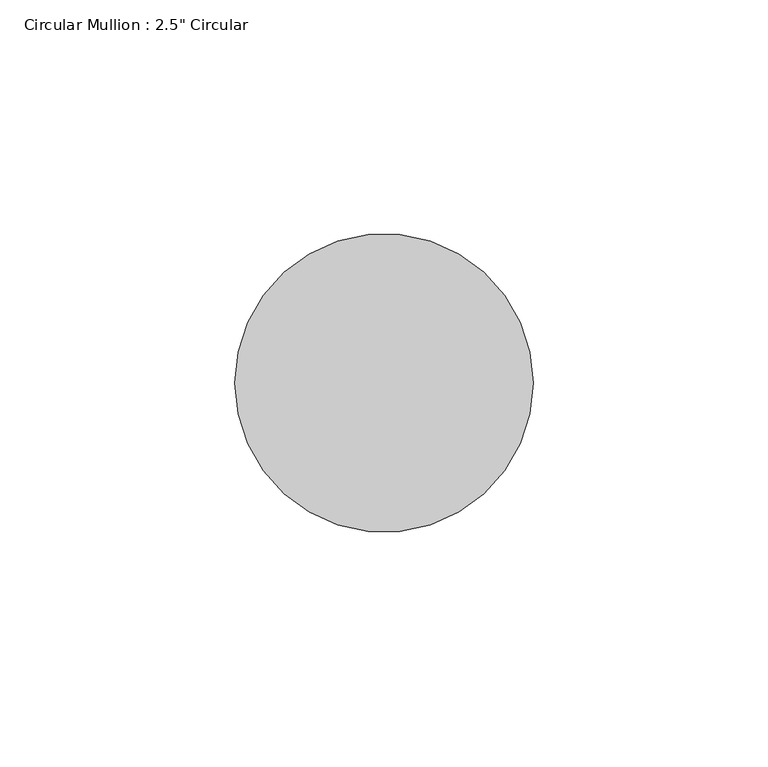
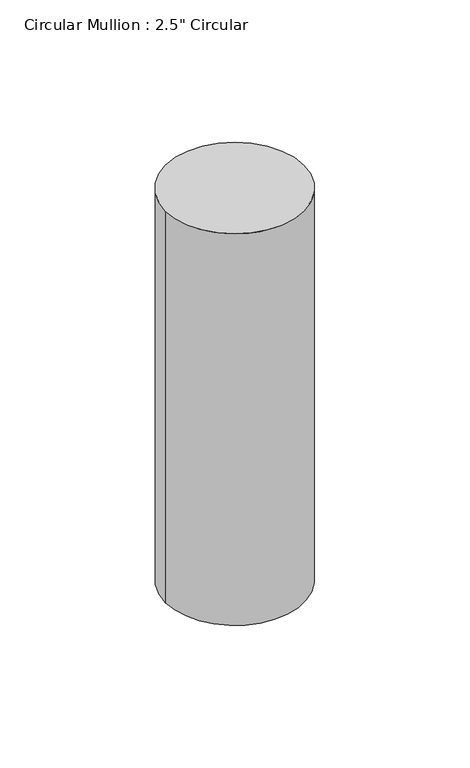
"""IFC4 building model written with IfcOpenShell, lengths in millimetres: member geometry."""

from ifc_helpers import new_model, si_unit, point, frame, origin, origin_2d, place, context, project, spatial, circle_curve, trimmed, segment, composite_curve, outline, extrude, source, transform, mapped, element, save


def member_1cb79529(model_context):
    return source(origin(), model_context, "Body", "SweptSolid", [
        extrude(outline(composite_curve([segment(trimmed(circle_curve(origin_2d(), 31.75), [point((31.75, 0.0))], [point((-31.75, 0.0))], False, "CARTESIAN"), True, "CONTINUOUS"), segment(trimmed(circle_curve(origin_2d(), 31.75), [point((-31.75, 0.0))], [point((31.75, 0.0))], False, "CARTESIAN"), True, "CONTINUOUS")], self_intersect=False)), frame((0.0, 0.0, -190.0), z_axis=(0.0, 0.0, 1.0), x_axis=(1.0, 0.0, 0.0)), (0.0, 0.0, 1.0), 190.0),
    ])


if __name__ == "__main__":
    model = new_model("IFC4")
    model_context = context("Model", 3, world=origin())
    ifc_project = project(units=[si_unit("LENGTHUNIT", "METRE", prefix="MILLI")], contexts=[model_context])
    site = spatial("IfcSite", under=ifc_project)
    building = spatial("IfcBuilding", under=site)
    placement = place(None, origin())
    member_shape = member_1cb79529(model_context)
    element("IfcMember", 1, ObjectType="Circular Mullion : 2.5\" Circular", at=placement, inside=building, context=model_context, shape_type="MappedRepresentation", body=[
        mapped(member_shape, transform((0.0, 0.0, 0.0), x_axis=(1.0, 0.0, 0.0), y_axis=(0.0, 1.0, 0.0), z_axis=(0.0, 0.0, 1.0))),
    ])
    save(model, "model.ifc")
